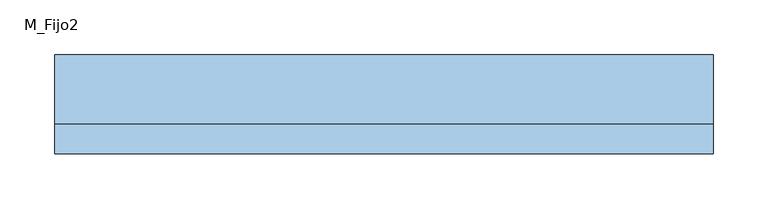
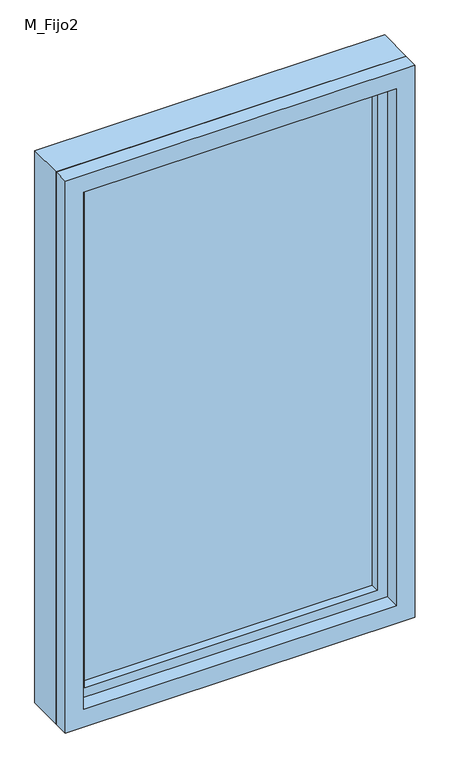
"""IFC4 building model written with IfcOpenShell, lengths in millimetres: window geometry, M_Fijo2."""

from ifc_helpers import new_model, si_unit, frame, origin, place, context, project, spatial, polyline, outline, extrude, source, transform, mapped, element, save


def m_fijo2_e6ab22a4(model_context):
    return source(origin(), model_context, "Body", "SweptSolid", [
        extrude(outline(polyline([(-251.0, 23.0), (251.0, 23.0), (251.0, 11.0), (-251.0, 11.0), (-251.0, 23.0)])), frame((0.0, 0.0, 849.0), z_axis=(0.0, 0.0, 1.0), x_axis=(1.0, 0.0, 0.0)), (0.0, 0.0, 1.0), 902.0),
        extrude(outline(polyline([(1781.0, -281.0), (819.0, -281.0), (819.0, 281.0), (1781.0, 281.0), (1781.0, -281.0)]), holes=[polyline([(1751.0, -251.0), (1751.0, 251.0), (849.0, 251.0), (849.0, -251.0), (1751.0, -251.0)])]), frame((0.0, -5.0, 0.0), z_axis=(0.0, 1.0, 0.0), x_axis=(0.0, 0.0, 1.0)), (0.0, 0.0, 1.0), 44.0),
        extrude(outline(polyline([(1800.0, -300.0), (800.0, -300.0), (800.0, 300.0), (1800.0, 300.0), (1800.0, -300.0)]), holes=[polyline([(1781.0, -281.0), (1781.0, 281.0), (819.0, 281.0), (819.0, -281.0), (1781.0, -281.0)])]), frame((0.0, -5.0, 0.0), z_axis=(0.0, 1.0, 0.0), x_axis=(0.0, 0.0, 1.0)), (0.0, 0.0, 1.0), 63.0),
        extrude(outline(polyline([(1800.0, -300.0), (800.0, -300.0), (800.0, 300.0), (1800.0, 300.0), (1800.0, -300.0)]), holes=[polyline([(1768.0, -268.0), (1768.0, 268.0), (832.0, 268.0), (832.0, -268.0), (1768.0, -268.0)])]), frame((0.0, -32.0, 0.0), z_axis=(0.0, 1.0, 0.0), x_axis=(0.0, 0.0, 1.0)), (0.0, 0.0, 1.0), 27.0),
    ])


if __name__ == "__main__":
    model = new_model("IFC4")
    model_context = context("Model", 3, world=origin())
    ifc_project = project(units=[si_unit("LENGTHUNIT", "METRE", prefix="MILLI")], contexts=[model_context])
    site = spatial("IfcSite", under=ifc_project)
    building = spatial("IfcBuilding", under=site)
    placement = place(None, origin())
    m_fijo2_shape = m_fijo2_e6ab22a4(model_context)
    element("IfcWindow", 1, ObjectType="M_Fijo2", at=placement, inside=building, context=model_context, shape_type="MappedRepresentation", body=[
        mapped(m_fijo2_shape, transform((0.0, 0.0, 0.0), x_axis=(1.0, 0.0, 0.0), y_axis=(0.0, 1.0, 0.0), z_axis=(0.0, 0.0, 1.0))),
    ])
    save(model, "model.ifc")
